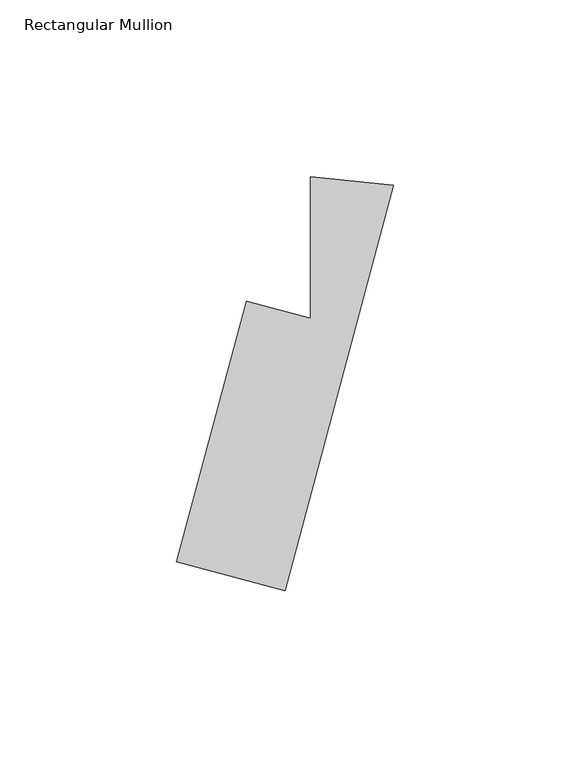
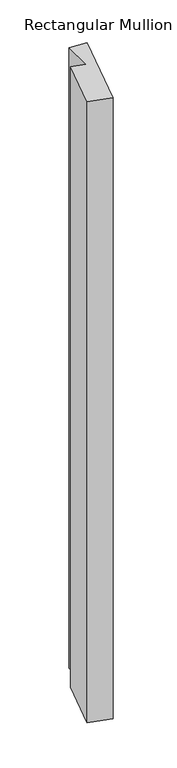
"""IFC4 building model written with IfcOpenShell, lengths in millimetres: member geometry, Rectangular Mullion."""

from ifc_helpers import new_model, si_unit, frame, origin, place, context, project, spatial, polyline, outline, extrude, source, transform, mapped, element, save


def rectangular_mullion_0f1f38d4(model_context):
    return source(origin(), model_context, "Body", "SweptSolid", [
        extrude(outline(polyline([(-42.3028305, -35.201849), (-24.159674, -40.0632931), (-24.159674, 0.0098685), (-0.6424803, -2.3977691), (-31.3824663, -117.1209586), (-62.0510822, -108.9033278), (-42.3028305, -35.201849)])), frame((0.0, 0.0, -904.75), z_axis=(0.0, 0.0, 1.0), x_axis=(1.0, 0.0, 0.0)), (0.0, 0.0, 1.0), 904.75),
    ])


if __name__ == "__main__":
    model = new_model("IFC4")
    model_context = context("Model", 3, world=origin())
    ifc_project = project(units=[si_unit("LENGTHUNIT", "METRE", prefix="MILLI")], contexts=[model_context])
    site = spatial("IfcSite", under=ifc_project)
    building = spatial("IfcBuilding", under=site)
    placement = place(None, origin())
    rectangular_mullion_shape = rectangular_mullion_0f1f38d4(model_context)
    element("IfcMember", 1, ObjectType="Rectangular Mullion", at=placement, inside=building, context=model_context, shape_type="MappedRepresentation", body=[
        mapped(rectangular_mullion_shape, transform((0.0, 0.0, 0.0), x_axis=(1.0, 0.0, 0.0), y_axis=(0.0, 1.0, 0.0), z_axis=(0.0, 0.0, 1.0))),
    ])
    save(model, "model.ifc")
